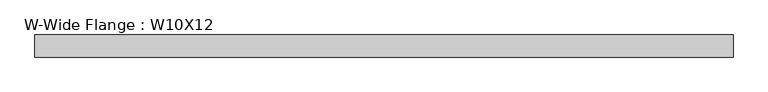
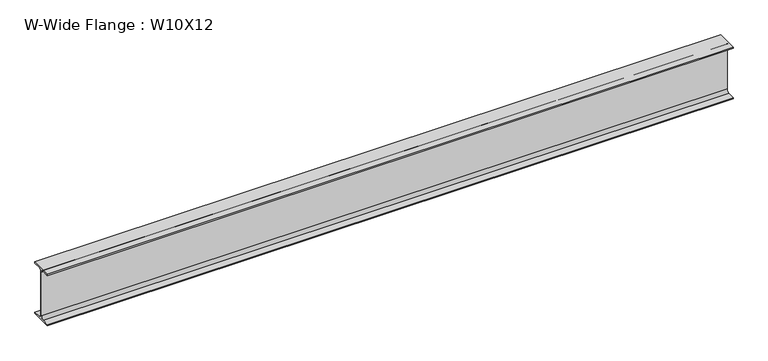
"""IFC4 building model written with IfcOpenShell, lengths in millimetres: beam geometry, W-Wide Flange : W10X12."""

from ifc_helpers import new_model, si_unit, point, frame, frame_2d, origin, place, context, project, spatial, polyline, circle_curve, trimmed, segment, composite_curve, outline, extrude, source, transform, mapped, element, save


def w_wide_flange_w10x12_bd2bd331(model_context):
    return source(origin(), model_context, "Body", "SweptSolid", [
        extrude(outline(composite_curve([segment(polyline([(50.3039062, -120.0050781), (50.3039062, -125.3628906), (-50.3039063, -125.3628906), (-50.3039063, -120.0050781), (-16.1230469, -120.0050781)]), True, "CONTINUOUS"), segment(trimmed(circle_curve(frame_2d((-16.1230469, -106.3128906)), 13.6921875), [point((-16.1230469, -120.0050781))], [point((-2.4308594, -106.3128906))], True, "CARTESIAN"), True, "CONTINUOUS"), segment(polyline([(-2.4308594, -106.3128906), (-2.4308594, 106.3128906)]), True, "CONTINUOUS"), segment(trimmed(circle_curve(frame_2d((-16.1230469, 106.3128906)), 13.6921875), [point((-2.4308594, 106.3128906))], [point((-16.1230469, 120.0050781))], True, "CARTESIAN"), True, "CONTINUOUS"), segment(polyline([(-16.1230469, 120.0050781), (-50.3039063, 120.0050781), (-50.3039063, 125.3628906), (50.3039062, 125.3628906), (50.3039062, 120.0050781), (16.1230469, 120.0050781)]), True, "CONTINUOUS"), segment(trimmed(circle_curve(frame_2d((16.1230469, 106.3128906)), 13.6921875), [point((16.1230469, 120.0050781))], [point((2.4308594, 106.3128906))], True, "CARTESIAN"), True, "CONTINUOUS"), segment(polyline([(2.4308594, 106.3128906), (2.4308594, -106.3128906)]), True, "CONTINUOUS"), segment(trimmed(circle_curve(frame_2d((16.1230469, -106.3128906)), 13.6921875), [point((2.4308594, -106.3128906))], [point((16.1230469, -120.0050781))], True, "CARTESIAN"), True, "CONTINUOUS"), segment(polyline([(16.1230469, -120.0050781), (50.3039062, -120.0050781)]), True, "CONTINUOUS")], self_intersect=False)), frame((-1612.7511719, 0.0, 0.0), z_axis=(1.0, 0.0, 0.0), x_axis=(0.0, 1.0, 0.0)), (0.0, 0.0, 1.0), 3171.428125),
    ])


if __name__ == "__main__":
    model = new_model("IFC4")
    model_context = context("Model", 3, world=origin())
    ifc_project = project(units=[si_unit("LENGTHUNIT", "METRE", prefix="MILLI")], contexts=[model_context])
    site = spatial("IfcSite", under=ifc_project)
    building = spatial("IfcBuilding", under=site)
    placement = place(None, origin())
    w_wide_flange_w10x12_shape = w_wide_flange_w10x12_bd2bd331(model_context)
    element("IfcBeam", 1, ObjectType="W-Wide Flange : W10X12", at=placement, inside=building, context=model_context, shape_type="MappedRepresentation", body=[
        mapped(w_wide_flange_w10x12_shape, transform((0.0, 0.0, 0.0), x_axis=(1.0, 0.0, 0.0), y_axis=(0.0, 1.0, 0.0), z_axis=(0.0, 0.0, 1.0))),
    ])
    save(model, "model.ifc")
